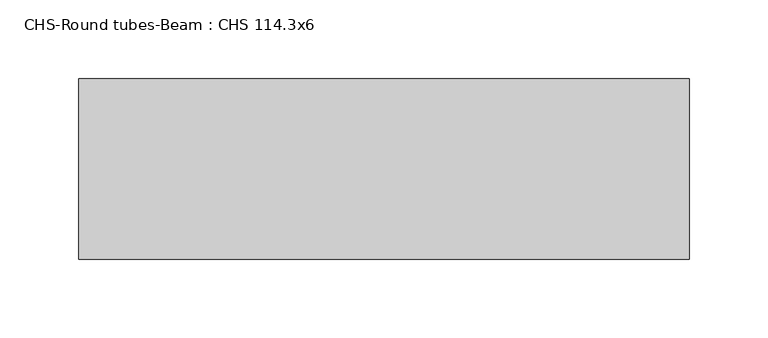
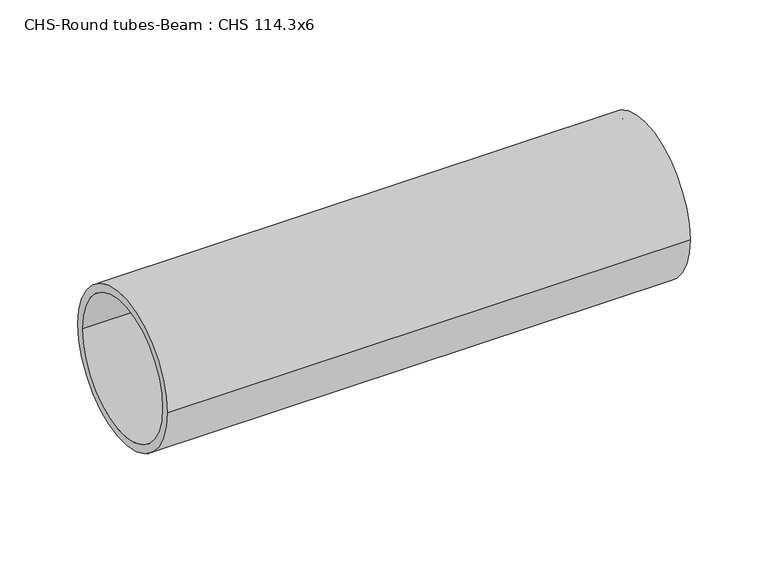
"""IFC4 building model written with IfcOpenShell, lengths in millimetres: beam geometry, CHS-Round tubes-Beam : CHS 114.3x6."""

from ifc_helpers import new_model, si_unit, point, frame, origin, origin_2d, place, context, project, spatial, circle_curve, trimmed, segment, composite_curve, outline, extrude, source, transform, mapped, element, save


def chs_round_tubes_beam_chs_114_3x6_50e6d465(model_context):
    return source(origin(), model_context, "Body", "SweptSolid", [
        extrude(outline(composite_curve([segment(trimmed(circle_curve(origin_2d(), 57.15), [point((57.15, 0.0))], [point((-57.15, 0.0))], False, "CARTESIAN"), True, "CONTINUOUS"), segment(trimmed(circle_curve(origin_2d(), 57.15), [point((-57.15, 0.0))], [point((57.15, 0.0))], False, "CARTESIAN"), True, "CONTINUOUS")], self_intersect=False), holes=[composite_curve([segment(trimmed(circle_curve(origin_2d(), 51.15), [point((51.15, 0.0))], [point((-51.15, 0.0))], True, "CARTESIAN"), True, "CONTINUOUS"), segment(trimmed(circle_curve(origin_2d(), 51.15), [point((-51.15, 0.0))], [point((51.15, 0.0))], True, "CARTESIAN"), True, "CONTINUOUS")], self_intersect=False)]), frame((-256.3712025, 0.0, 0.0), z_axis=(1.0, 0.0, 0.0), x_axis=(0.0, 1.0, 0.0)), (0.0, 0.0, 1.0), 387.088967),
    ])


if __name__ == "__main__":
    model = new_model("IFC4")
    model_context = context("Model", 3, world=origin())
    ifc_project = project(units=[si_unit("LENGTHUNIT", "METRE", prefix="MILLI")], contexts=[model_context])
    site = spatial("IfcSite", under=ifc_project)
    building = spatial("IfcBuilding", under=site)
    placement = place(None, origin())
    chs_round_tubes_beam_chs_114_3x6_shape = chs_round_tubes_beam_chs_114_3x6_50e6d465(model_context)
    element("IfcBeam", 1, ObjectType="CHS-Round tubes-Beam : CHS 114.3x6", at=placement, inside=building, context=model_context, shape_type="MappedRepresentation", body=[
        mapped(chs_round_tubes_beam_chs_114_3x6_shape, transform((0.0, 0.0, 0.0), x_axis=(1.0, 0.0, 0.0), y_axis=(0.0, 1.0, 0.0), z_axis=(0.0, 0.0, 1.0))),
    ])
    save(model, "model.ifc")
